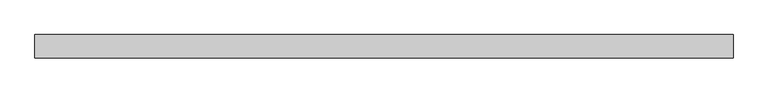
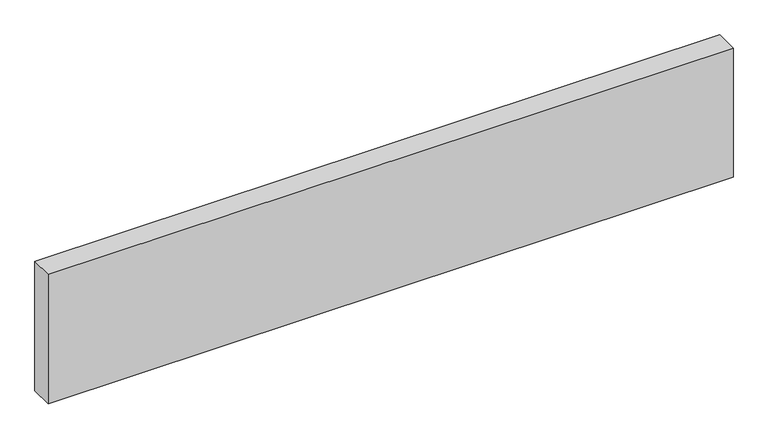
"""IFC4 building model written with IfcOpenShell, lengths in millimetres: plate geometry."""

import ifcopenshell
import ifcopenshell.guid

model = None  # the IFC model being written
_history = None  # IfcOwnerHistory: only IFC2X3 demands one
_inside = {}  # id of a spatial element -> (the spatial element, [elements in it])
_under = {}  # id of a project, library or spatial element -> (it, [spatial elements below it])
_declared = {}  # id of a project -> (the project, [libraries it declares])
_typed = {}  # id of a type object -> (the type object, [elements of that type])
_made_of = {}  # id of a material, layer set ... -> (it, [elements and type objects made of it])


def new_model(schema):
    """Start an empty IFC model of exactly this schema.

    Asked for "IFC4X3", IfcOpenShell would pick the latest addendum, in which some entities
    have other attributes; the version numbers below select the first issue.
    IFC2X3 requires an IfcOwnerHistory on every rooted entity: one is made here for all.
    """
    global model, _history
    if schema == "IFC4X3":
        model = ifcopenshell.file(schema_version=(4, 3, 0, 0))
    else:
        model = ifcopenshell.file(schema=schema)
    _inside.clear()
    _under.clear()
    _declared.clear()
    _typed.clear()
    _made_of.clear()
    _history = None
    if model.schema == "IFC2X3":
        org = make("IfcOrganization", Name="unknown")
        user = make(
            "IfcPersonAndOrganization",
            ThePerson=make("IfcPerson", FamilyName="unknown"),
            TheOrganization=org,
        )
        app = make(
            "IfcApplication",
            ApplicationDeveloper=org,
            Version="unknown",
            ApplicationFullName="unknown",
            ApplicationIdentifier="unknown",
        )
        _history = make(
            "IfcOwnerHistory",
            OwningUser=user,
            OwningApplication=app,
            ChangeAction="ADDED",
            CreationDate=0,
        )
    return model


def make(cls, **values):
    """One entity of the class cls with the attributes given. An attribute that is None is left unset."""
    return model.create_entity(
        cls, **{name: value for name, value in values.items() if value is not None}
    )


def rooted(cls, **values):
    """An entity with a GlobalId (a new one), such as an element, a storey or a relation."""
    return make(cls, GlobalId=ifcopenshell.guid.new(), OwnerHistory=_history, **values)


def si_unit(unit_type, name, prefix=None):
    """IfcSIUnit, for example si_unit("LENGTHUNIT", "METRE", prefix="MILLI")."""
    return make("IfcSIUnit", UnitType=unit_type, Prefix=prefix, Name=name)


def assignment(units):
    """IfcUnitAssignment: the units of a project."""
    return None if units is None else make("IfcUnitAssignment", Units=units)


def point(xyz):
    """IfcCartesianPoint."""
    return None if xyz is None else make("IfcCartesianPoint", Coordinates=xyz)


def direction(xyz):
    """IfcDirection."""
    return None if xyz is None else make("IfcDirection", DirectionRatios=xyz)


def frame(location, z_axis=None, x_axis=None):
    """IfcAxis2Placement3D, a coordinate frame: its origin and axes. An axis left out is left unset."""
    return make(
        "IfcAxis2Placement3D",
        Location=point(location),
        Axis=direction(z_axis),
        RefDirection=direction(x_axis),
    )


def origin():
    """The frame at (0, 0, 0) with its axes left unset."""
    return frame((0.0, 0.0, 0.0))


def origin_with_axes():
    """The frame at (0, 0, 0) with the z axis (0, 0, 1) and the x axis (1, 0, 0) written out."""
    return frame((0.0, 0.0, 0.0), z_axis=(0.0, 0.0, 1.0), x_axis=(1.0, 0.0, 0.0))


def place(relative_to, where):
    """IfcLocalPlacement: puts the frame where relative to a parent placement (None: the world)."""
    return make(
        "IfcLocalPlacement", PlacementRelTo=relative_to, RelativePlacement=where
    )


def context(
    kind, dimensions, precision=None, world=None, true_north=None, identifier=None
):
    """IfcGeometricRepresentationContext, for example the 3D "Model" context."""
    return make(
        "IfcGeometricRepresentationContext",
        ContextIdentifier=identifier,
        ContextType=kind,
        CoordinateSpaceDimension=dimensions,
        Precision=precision,
        WorldCoordinateSystem=world,
        TrueNorth=true_north,
    )


def project(units=None, contexts=None):
    """IfcProject with its units and contexts."""
    return rooted(
        "IfcProject",
        Name="project",
        RepresentationContexts=contexts,
        UnitsInContext=assignment(units),
    )


def spatial(cls, under=None, at=None, **own):
    """A site, building, storey or space (cls), placed at a placement, below another one or the project."""
    s = rooted(cls, ObjectPlacement=at, **own)
    if under is not None:
        _under.setdefault(under.id(), (under, []))[1].append(s)
    return s


def polyline(points):
    """IfcPolyline through the points."""
    return make("IfcPolyline", Points=[point(p) for p in points])


def outline(outer, holes=None, kind="AREA"):
    """IfcArbitraryClosedProfileDef: a profile drawn as a closed curve; with holes, ...WithVoids."""
    if holes is None:
        return make("IfcArbitraryClosedProfileDef", ProfileType=kind, OuterCurve=outer)
    return make(
        "IfcArbitraryProfileDefWithVoids",
        ProfileType=kind,
        OuterCurve=outer,
        InnerCurves=holes,
    )


def extrude(swept, where, along, depth):
    """IfcExtrudedAreaSolid: the profile swept, set in the frame where, extruded along a direction by depth."""
    return make(
        "IfcExtrudedAreaSolid",
        SweptArea=swept,
        Position=where,
        ExtrudedDirection=direction(along),
        Depth=depth,
    )


def shape(context_of_items, identifier, shape_type, items):
    """IfcShapeRepresentation: the items that make up one representation, for example the "Body"."""
    return make(
        "IfcShapeRepresentation",
        ContextOfItems=context_of_items,
        RepresentationIdentifier=identifier,
        RepresentationType=shape_type,
        Items=items,
    )


def source(mapping_origin, context_of_items, identifier, shape_type, items):
    """IfcRepresentationMap: a shape defined once, which mapped items show again and again."""
    return make(
        "IfcRepresentationMap",
        MappingOrigin=mapping_origin,
        MappedRepresentation=shape(context_of_items, identifier, shape_type, items),
    )


def transform(
    local_origin,
    x_axis=None,
    y_axis=None,
    z_axis=None,
    scale=None,
    scale2=None,
    scale3=None,
    uniform=True,
):
    """IfcCartesianTransformationOperator3D, or its non-uniform kind. x_axis, y_axis, z_axis: its Axis1, 2, 3."""
    if uniform:
        return make(
            "IfcCartesianTransformationOperator3D",
            Axis1=direction(x_axis),
            Axis2=direction(y_axis),
            LocalOrigin=point(local_origin),
            Scale=scale,
            Axis3=direction(z_axis),
        )
    return make(
        "IfcCartesianTransformationOperator3DnonUniform",
        Axis1=direction(x_axis),
        Axis2=direction(y_axis),
        LocalOrigin=point(local_origin),
        Scale=scale,
        Axis3=direction(z_axis),
        Scale2=scale2,
        Scale3=scale3,
    )


def mapped(mapping_source, mapping_target):
    """IfcMappedItem: shows the shape of a source again, moved by a transform."""
    return make(
        "IfcMappedItem", MappingSource=mapping_source, MappingTarget=mapping_target
    )


def made_of(thing, what):
    """Note that an element or type object is made of a material, layer set ...; save() writes the relation."""
    if what is not None:
        _made_of.setdefault(what.id(), (what, []))[1].append(thing)
    return thing


def element(
    cls,
    number,
    at=None,
    inside=None,
    cuts=None,
    type_object=None,
    material=None,
    context=None,
    identifier="Body",
    shape_type=None,
    held_by="IfcProductDefinitionShape",
    body=None,
    shapes=None,
    **own,
):
    """One element of the class cls, such as IfcWall. Its Tag is "e" and its number.

    at: its placement. inside: the storey or other place that contains it. cuts: it is an
    opening in that element (IfcRelVoidsElement). A single representation is given by context,
    identifier, shape_type and body (its items); several are given by shapes. held_by: the class
    of the entity that holds the representations. save() writes the other relations.
    """
    e = rooted(cls, Tag="e%d" % number, ObjectPlacement=at, **own)
    if body is not None:
        shapes = [shape(context, identifier, shape_type, body)]
    if shapes is not None:
        e.Representation = make(held_by, Representations=shapes)
    if inside is not None:
        _inside.setdefault(inside.id(), (inside, []))[1].append(e)
    if cuts is not None:
        rooted(
            "IfcRelVoidsElement", RelatingBuildingElement=cuts, RelatedOpeningElement=e
        )
    if type_object is not None:
        _typed.setdefault(type_object.id(), (type_object, []))[1].append(e)
    return made_of(e, material)


def aggregate(whole, parts):
    """IfcRelAggregates: a whole, such as a stair, and the parts it consists of."""
    return rooted("IfcRelAggregates", RelatingObject=whole, RelatedObjects=parts)


def save(model, path):
    """Write the relations noted so far, then the file.

    IfcRelAggregates (storeys below a building ...), IfcRelContainedInSpatialStructure (elements
    in a storey), IfcRelDefinesByType, IfcRelAssociatesMaterial and IfcRelDeclares: one each for
    every whole, place, type object, material and project.
    """
    for whole, parts in _under.values():
        aggregate(whole, parts)
    for where, things in _inside.values():
        rooted(
            "IfcRelContainedInSpatialStructure",
            RelatedElements=things,
            RelatingStructure=where,
        )
    for kind, things in _typed.values():
        rooted("IfcRelDefinesByType", RelatedObjects=things, RelatingType=kind)
    for what, things in _made_of.values():
        rooted("IfcRelAssociatesMaterial", RelatedObjects=things, RelatingMaterial=what)
    for by, libraries in _declared.values():
        rooted("IfcRelDeclares", RelatingContext=by, RelatedDefinitions=libraries)
    model.write(path)


def plate_8027ed93(model_context):
    return source(origin(), model_context, "Body", "SweptSolid", [
        extrude(outline(polyline([(1500.0, -50.0), (-1500.0, -50.0), (-1500.0, 50.0), (1500.0, 50.0), (1500.0, -50.0)])), origin_with_axes(), (0.0, 0.0, 1.0), 599.05),
    ])


if __name__ == "__main__":
    model = new_model("IFC4")
    model_context = context("Model", 3, world=origin())
    ifc_project = project(units=[si_unit("LENGTHUNIT", "METRE", prefix="MILLI")], contexts=[model_context])
    site = spatial("IfcSite", under=ifc_project)
    building = spatial("IfcBuilding", under=site)
    placement = place(None, origin())
    plate_shape = plate_8027ed93(model_context)
    element("IfcPlate", 1, at=placement, inside=building, context=model_context, shape_type="MappedRepresentation", body=[
        mapped(plate_shape, transform((0.0, 0.0, 0.0), x_axis=(1.0, 0.0, 0.0), y_axis=(0.0, 1.0, 0.0), z_axis=(0.0, 0.0, 1.0))),
    ])
    save(model, "model.ifc")
